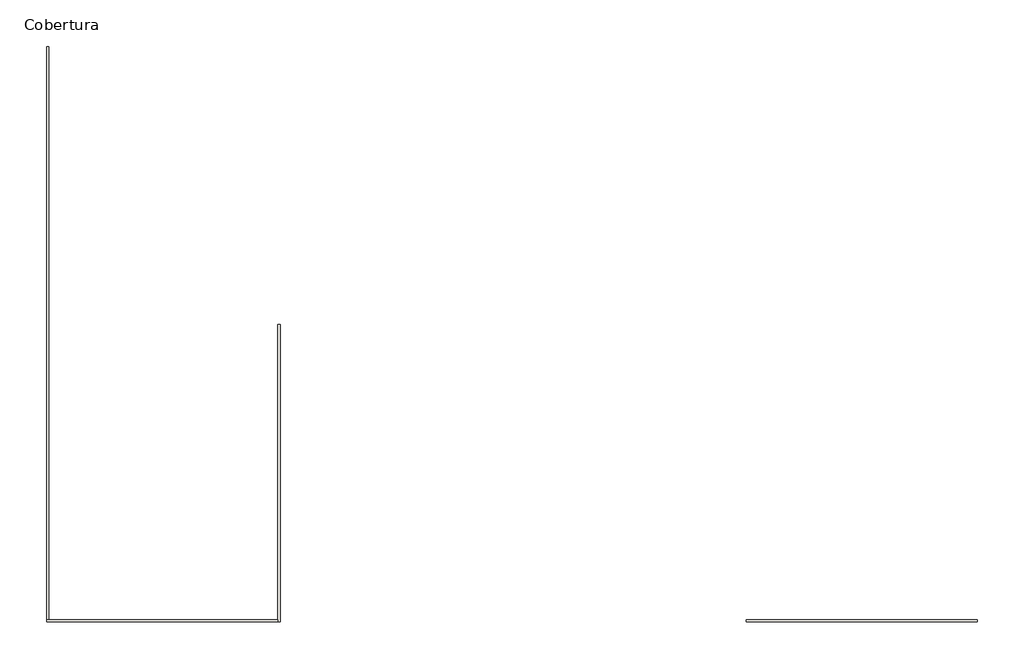
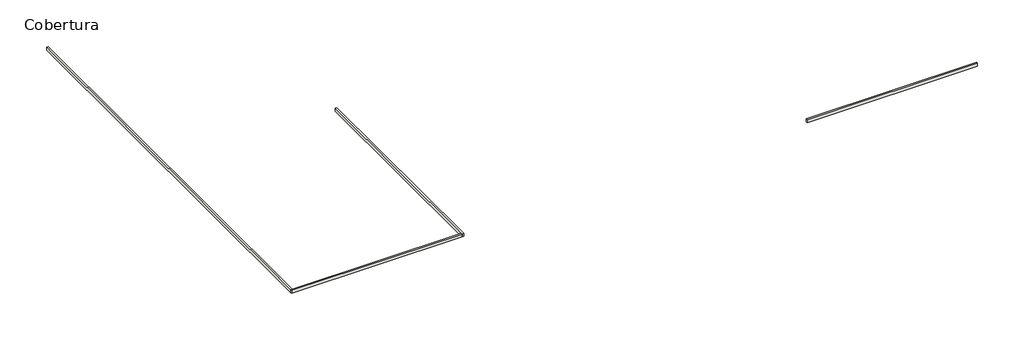
# One storey, part 1 of 3: 4 walls.
"""IFC4 building model written with IfcOpenShell, lengths in millimetres."""

from ifc_helpers import new_model, si_unit, frame, origin, place, context, project, spatial, polyline, outline, extrude, faceted_brep, element, save

model = new_model("IFC4")

# Units and contexts
model_context = context("Model", 3, world=origin())
ifc_project = project(units=[si_unit("LENGTHUNIT", "METRE", prefix="MILLI")], contexts=[model_context])

# Site, building, storey
site = spatial("IfcSite", under=ifc_project)
building = spatial("IfcBuilding", under=site)
storey = spatial("IfcBuildingStorey", under=building, Name="Cobertura", Elevation=22000.0)

# Walls
placement = place(None, origin())
element("IfcWall", 1, ObjectType="Tijolo 20", at=placement, inside=storey, context=model_context, shape_type="Brep", body=[
    faceted_brep([(53162.6359883, -6332.6561793, 22000.0), (31547.6359883, -6332.6561793, 22000.0), (31347.6359883, -6332.6561793, 22000.0), (31347.6359883, -6332.6561793, 22400.0), (31547.6359883, -6332.6561793, 22400.0), (53162.6359883, -6332.6561793, 22400.0), (53162.6359883, -6532.6561793, 22000.0), (53162.6359883, -6532.6561793, 22400.0), (31347.6359883, -6532.6561793, 22400.0), (31347.6359883, -6532.6561793, 22000.0)], [[[0, 1, 2, 3, 4, 5]], [[6, 7, 8, 9]], [[2, 1, 0, 6, 9]], [[5, 4, 3, 8, 7]], [[0, 5, 7, 6]], [[3, 2, 9, 8]]]),
])
element("IfcWall", 2, ObjectType="Tijolo 20", at=placement, inside=storey, context=model_context, shape_type="Brep", body=[
    faceted_brep([(-12852.3640117, 21567.3438207, 22000.0), (-12852.3640117, -6332.6561793, 22000.0), (-12852.3640117, -6532.6561793, 22000.0), (-12852.3640117, -6532.6561793, 22400.0), (-12852.3640117, -6332.6561793, 22400.0), (-12852.3640117, 21567.3438207, 22400.0), (-12652.3640117, 21567.3438207, 22000.0), (-12652.3640117, 21567.3438207, 22400.0), (-12652.3640117, -6532.6561793, 22400.0), (-12652.3640117, -6532.6561793, 22000.0)], [[[0, 1, 2, 3, 4, 5]], [[6, 7, 8, 9]], [[2, 1, 0, 6, 9]], [[5, 4, 3, 8, 7]], [[0, 5, 7, 6]], [[3, 2, 9, 8]]]),
])
element("IfcWall", 3, ObjectType="Tijolo 20", at=placement, inside=storey, context=model_context, shape_type="Brep", body=[
    faceted_brep([(-12852.3640117, -6332.6561793, 22000.0), (-34487.3640117, -6332.6561793, 22000.0), (-34687.3640117, -6332.6561793, 22000.0), (-34687.3640117, -6332.6561793, 22400.0), (-34487.3640117, -6332.6561793, 22400.0), (-12852.3640117, -6332.6561793, 22400.0), (-12852.3640117, -6532.6561793, 22000.0), (-12852.3640117, -6532.6561793, 22400.0), (-34687.3640117, -6532.6561793, 22400.0), (-34687.3640117, -6532.6561793, 22000.0)], [[[0, 1, 2, 3, 4, 5]], [[6, 7, 8, 9]], [[2, 1, 0, 6, 9]], [[5, 4, 3, 8, 7]], [[0, 5, 7, 6]], [[3, 2, 9, 8]]]),
])
element("IfcWall", 4, ObjectType="Tijolo 20", at=placement, inside=storey, context=model_context, shape_type="SweptSolid", body=[
    extrude(outline(polyline([(-34487.3640117, 47817.3438207), (-34487.3640117, -6332.6561793), (-34687.3640117, -6332.6561793), (-34687.3640117, 47817.3438207), (-34487.3640117, 47817.3438207)])), frame((0.0, 0.0, 22000.0), z_axis=(0.0, 0.0, 1.0), x_axis=(1.0, 0.0, 0.0)), (0.0, 0.0, 1.0), 400.0),
])

save(model, "model.ifc")
